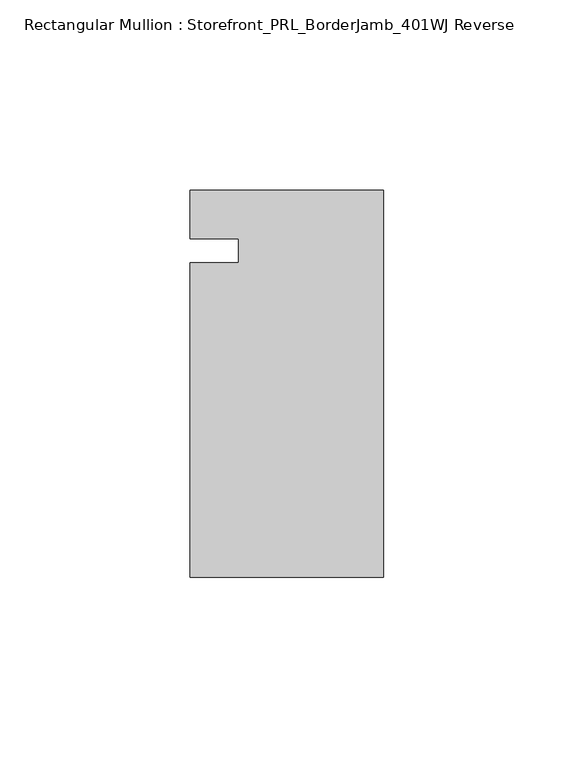
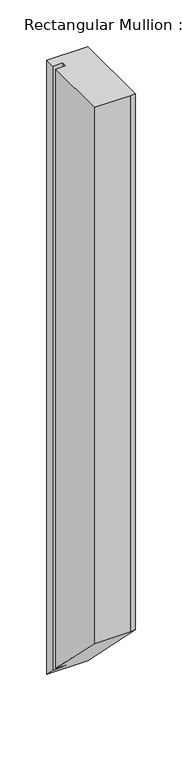
"""IFC4 building model written with IfcOpenShell, lengths in millimetres: member geometry, Rectangular Mullion : Storefront_PRL_BorderJamb_401WJ Reverse."""

import ifcopenshell
import ifcopenshell.guid

model = None  # the IFC model being written
_history = None  # IfcOwnerHistory: only IFC2X3 demands one
_inside = {}  # id of a spatial element -> (the spatial element, [elements in it])
_under = {}  # id of a project, library or spatial element -> (it, [spatial elements below it])
_declared = {}  # id of a project -> (the project, [libraries it declares])
_typed = {}  # id of a type object -> (the type object, [elements of that type])
_made_of = {}  # id of a material, layer set ... -> (it, [elements and type objects made of it])


def new_model(schema):
    """Start an empty IFC model of exactly this schema.

    Asked for "IFC4X3", IfcOpenShell would pick the latest addendum, in which some entities
    have other attributes; the version numbers below select the first issue.
    IFC2X3 requires an IfcOwnerHistory on every rooted entity: one is made here for all.
    """
    global model, _history
    if schema == "IFC4X3":
        model = ifcopenshell.file(schema_version=(4, 3, 0, 0))
    else:
        model = ifcopenshell.file(schema=schema)
    _inside.clear()
    _under.clear()
    _declared.clear()
    _typed.clear()
    _made_of.clear()
    _history = None
    if model.schema == "IFC2X3":
        org = make("IfcOrganization", Name="unknown")
        user = make(
            "IfcPersonAndOrganization",
            ThePerson=make("IfcPerson", FamilyName="unknown"),
            TheOrganization=org,
        )
        app = make(
            "IfcApplication",
            ApplicationDeveloper=org,
            Version="unknown",
            ApplicationFullName="unknown",
            ApplicationIdentifier="unknown",
        )
        _history = make(
            "IfcOwnerHistory",
            OwningUser=user,
            OwningApplication=app,
            ChangeAction="ADDED",
            CreationDate=0,
        )
    return model


def make(cls, **values):
    """One entity of the class cls with the attributes given. An attribute that is None is left unset."""
    return model.create_entity(
        cls, **{name: value for name, value in values.items() if value is not None}
    )


def rooted(cls, **values):
    """An entity with a GlobalId (a new one), such as an element, a storey or a relation."""
    return make(cls, GlobalId=ifcopenshell.guid.new(), OwnerHistory=_history, **values)


def si_unit(unit_type, name, prefix=None):
    """IfcSIUnit, for example si_unit("LENGTHUNIT", "METRE", prefix="MILLI")."""
    return make("IfcSIUnit", UnitType=unit_type, Prefix=prefix, Name=name)


def assignment(units):
    """IfcUnitAssignment: the units of a project."""
    return None if units is None else make("IfcUnitAssignment", Units=units)


def point(xyz):
    """IfcCartesianPoint."""
    return None if xyz is None else make("IfcCartesianPoint", Coordinates=xyz)


def direction(xyz):
    """IfcDirection."""
    return None if xyz is None else make("IfcDirection", DirectionRatios=xyz)


def frame(location, z_axis=None, x_axis=None):
    """IfcAxis2Placement3D, a coordinate frame: its origin and axes. An axis left out is left unset."""
    return make(
        "IfcAxis2Placement3D",
        Location=point(location),
        Axis=direction(z_axis),
        RefDirection=direction(x_axis),
    )


def origin():
    """The frame at (0, 0, 0) with its axes left unset."""
    return frame((0.0, 0.0, 0.0))


def place(relative_to, where):
    """IfcLocalPlacement: puts the frame where relative to a parent placement (None: the world)."""
    return make(
        "IfcLocalPlacement", PlacementRelTo=relative_to, RelativePlacement=where
    )


def context(
    kind, dimensions, precision=None, world=None, true_north=None, identifier=None
):
    """IfcGeometricRepresentationContext, for example the 3D "Model" context."""
    return make(
        "IfcGeometricRepresentationContext",
        ContextIdentifier=identifier,
        ContextType=kind,
        CoordinateSpaceDimension=dimensions,
        Precision=precision,
        WorldCoordinateSystem=world,
        TrueNorth=true_north,
    )


def project(units=None, contexts=None):
    """IfcProject with its units and contexts."""
    return rooted(
        "IfcProject",
        Name="project",
        RepresentationContexts=contexts,
        UnitsInContext=assignment(units),
    )


def spatial(cls, under=None, at=None, **own):
    """A site, building, storey or space (cls), placed at a placement, below another one or the project."""
    s = rooted(cls, ObjectPlacement=at, **own)
    if under is not None:
        _under.setdefault(under.id(), (under, []))[1].append(s)
    return s


def faces_of(points, faces, orient=None, outer=None):
    """IfcFace entities. A face is a list of loops; a loop is a list of indices into points, from 0.

    orient and outer hold one flag for each loop. By default every Orientation is true, the
    first loop of a face is its IfcFaceOuterBound and the others are IfcFaceBound.
    """
    made = []
    for i, loops in enumerate(faces):
        bounds = []
        for j, loop in enumerate(loops):
            is_outer = j == 0 if outer is None else outer[i][j]
            bounds.append(
                make(
                    "IfcFaceOuterBound" if is_outer else "IfcFaceBound",
                    Bound=make("IfcPolyLoop", Polygon=[points[k] for k in loop]),
                    Orientation=True if orient is None else orient[i][j],
                )
            )
        made.append(make("IfcFace", Bounds=bounds))
    return made


def faceted_brep(points, faces, orient=None, outer=None, voids=None):
    """IfcFacetedBrep: a solid bounded by flat faces; with voids (closed shells), ...WithVoids."""
    shared = [point(p) for p in points]
    hull = make("IfcClosedShell", CfsFaces=faces_of(shared, faces, orient, outer))
    if voids is None:
        return make("IfcFacetedBrep", Outer=hull)
    return make(
        "IfcFacetedBrepWithVoids",
        Outer=hull,
        Voids=[
            make(cls, CfsFaces=faces_of(shared, fs, o, b)) for cls, fs, o, b in voids
        ],
    )


def shape(context_of_items, identifier, shape_type, items):
    """IfcShapeRepresentation: the items that make up one representation, for example the "Body"."""
    return make(
        "IfcShapeRepresentation",
        ContextOfItems=context_of_items,
        RepresentationIdentifier=identifier,
        RepresentationType=shape_type,
        Items=items,
    )


def source(mapping_origin, context_of_items, identifier, shape_type, items):
    """IfcRepresentationMap: a shape defined once, which mapped items show again and again."""
    return make(
        "IfcRepresentationMap",
        MappingOrigin=mapping_origin,
        MappedRepresentation=shape(context_of_items, identifier, shape_type, items),
    )


def transform(
    local_origin,
    x_axis=None,
    y_axis=None,
    z_axis=None,
    scale=None,
    scale2=None,
    scale3=None,
    uniform=True,
):
    """IfcCartesianTransformationOperator3D, or its non-uniform kind. x_axis, y_axis, z_axis: its Axis1, 2, 3."""
    if uniform:
        return make(
            "IfcCartesianTransformationOperator3D",
            Axis1=direction(x_axis),
            Axis2=direction(y_axis),
            LocalOrigin=point(local_origin),
            Scale=scale,
            Axis3=direction(z_axis),
        )
    return make(
        "IfcCartesianTransformationOperator3DnonUniform",
        Axis1=direction(x_axis),
        Axis2=direction(y_axis),
        LocalOrigin=point(local_origin),
        Scale=scale,
        Axis3=direction(z_axis),
        Scale2=scale2,
        Scale3=scale3,
    )


def mapped(mapping_source, mapping_target):
    """IfcMappedItem: shows the shape of a source again, moved by a transform."""
    return make(
        "IfcMappedItem", MappingSource=mapping_source, MappingTarget=mapping_target
    )


def made_of(thing, what):
    """Note that an element or type object is made of a material, layer set ...; save() writes the relation."""
    if what is not None:
        _made_of.setdefault(what.id(), (what, []))[1].append(thing)
    return thing


def element(
    cls,
    number,
    at=None,
    inside=None,
    cuts=None,
    type_object=None,
    material=None,
    context=None,
    identifier="Body",
    shape_type=None,
    held_by="IfcProductDefinitionShape",
    body=None,
    shapes=None,
    **own,
):
    """One element of the class cls, such as IfcWall. Its Tag is "e" and its number.

    at: its placement. inside: the storey or other place that contains it. cuts: it is an
    opening in that element (IfcRelVoidsElement). A single representation is given by context,
    identifier, shape_type and body (its items); several are given by shapes. held_by: the class
    of the entity that holds the representations. save() writes the other relations.
    """
    e = rooted(cls, Tag="e%d" % number, ObjectPlacement=at, **own)
    if body is not None:
        shapes = [shape(context, identifier, shape_type, body)]
    if shapes is not None:
        e.Representation = make(held_by, Representations=shapes)
    if inside is not None:
        _inside.setdefault(inside.id(), (inside, []))[1].append(e)
    if cuts is not None:
        rooted(
            "IfcRelVoidsElement", RelatingBuildingElement=cuts, RelatedOpeningElement=e
        )
    if type_object is not None:
        _typed.setdefault(type_object.id(), (type_object, []))[1].append(e)
    return made_of(e, material)


def aggregate(whole, parts):
    """IfcRelAggregates: a whole, such as a stair, and the parts it consists of."""
    return rooted("IfcRelAggregates", RelatingObject=whole, RelatedObjects=parts)


def save(model, path):
    """Write the relations noted so far, then the file.

    IfcRelAggregates (storeys below a building ...), IfcRelContainedInSpatialStructure (elements
    in a storey), IfcRelDefinesByType, IfcRelAssociatesMaterial and IfcRelDeclares: one each for
    every whole, place, type object, material and project.
    """
    for whole, parts in _under.values():
        aggregate(whole, parts)
    for where, things in _inside.values():
        rooted(
            "IfcRelContainedInSpatialStructure",
            RelatedElements=things,
            RelatingStructure=where,
        )
    for kind, things in _typed.values():
        rooted("IfcRelDefinesByType", RelatedObjects=things, RelatingType=kind)
    for what, things in _made_of.values():
        rooted("IfcRelAssociatesMaterial", RelatedObjects=things, RelatingMaterial=what)
    for by, libraries in _declared.values():
        rooted("IfcRelDeclares", RelatingContext=by, RelatedDefinitions=libraries)
    model.write(path)


def rectangular_mullion_storefront_prl_borderjamb_401wj_reverse_3b047a92(model_context):
    return source(origin(), model_context, "Body", "Brep", [
        faceted_brep([(-38.1, -3.175, 0.0), (-50.8, -3.175, 0.0), (-50.8, -85.725, 0.0), (-6.35, -85.725, 0.0), (0.0, -85.725, 0.0), (0.0, 15.875, 0.0), (-7.3958824, 15.875, 0.0), (-50.8, 15.875, 0.0), (-50.8, 3.175, 0.0), (-38.1, 3.175, 0.0), (-38.1, -3.175, -783.1666667), (-50.8, -3.175, -783.1666667), (-50.8, -85.725, -700.6166667), (-6.35, -85.725, -700.6166667), (0.0, -85.725, -700.6166667), (0.0, 15.875, -802.2166667), (-7.3958824, 15.875, -802.2166667), (-50.8, 15.875, -802.2166667), (-50.8, 3.175, -789.5166667), (-38.1, 3.175, -789.5166667)], [[[0, 1, 2, 3, 4, 5, 6, 7, 8, 9]], [[1, 0, 10, 11]], [[2, 1, 11, 12]], [[3, 2, 12, 13]], [[4, 3, 13, 14]], [[5, 4, 14, 15]], [[6, 5, 15, 16]], [[7, 6, 16, 17]], [[8, 7, 17, 18]], [[9, 8, 18, 19]], [[0, 9, 19, 10]], [[10, 19, 18, 17, 16, 15, 14, 13, 12, 11]]]),
    ])


if __name__ == "__main__":
    model = new_model("IFC4")
    model_context = context("Model", 3, world=origin())
    ifc_project = project(units=[si_unit("LENGTHUNIT", "METRE", prefix="MILLI")], contexts=[model_context])
    site = spatial("IfcSite", under=ifc_project)
    building = spatial("IfcBuilding", under=site)
    placement = place(None, origin())
    rectangular_mullion_storefront_prl_borderjamb_401wj_reverse_shape = rectangular_mullion_storefront_prl_borderjamb_401wj_reverse_3b047a92(model_context)
    element("IfcMember", 1, ObjectType="Rectangular Mullion : Storefront_PRL_BorderJamb_401WJ Reverse", at=placement, inside=building, context=model_context, shape_type="MappedRepresentation", body=[
        mapped(rectangular_mullion_storefront_prl_borderjamb_401wj_reverse_shape, transform((0.0, 0.0, 0.0), x_axis=(1.0, 0.0, 0.0), y_axis=(0.0, 1.0, 0.0), z_axis=(0.0, 0.0, 1.0))),
    ])
    save(model, "model.ifc")
